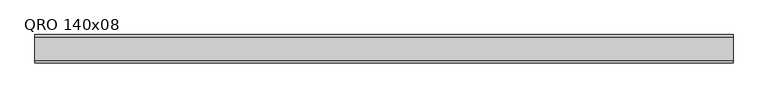
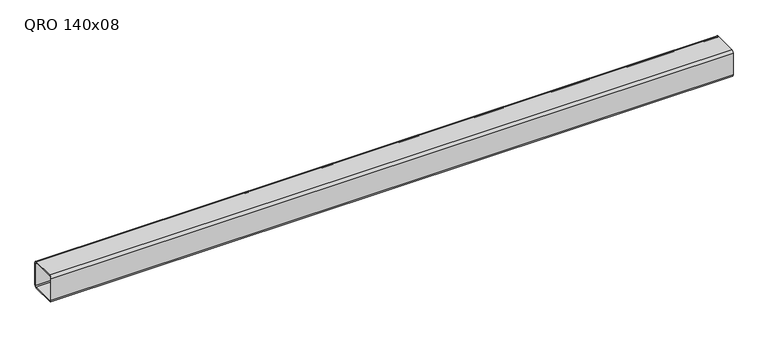
"""IFC4 building model written with IfcOpenShell, lengths in millimetres: beam geometry, QRO 140x08."""

from ifc_helpers import new_model, si_unit, point, frame, frame_2d, origin, place, context, project, spatial, polyline, circle_curve, trimmed, segment, composite_curve, outline, extrude, source, transform, mapped, element, save


def qro_140x08_a017730e(model_context):
    return source(origin(), model_context, "Body", "SweptSolid", [
        extrude(outline(composite_curve([segment(polyline([(70.0, 58.0), (70.0, -58.0)]), True, "CONTINUOUS"), segment(trimmed(circle_curve(frame_2d((58.0, -58.0)), 12.0), [point((70.0, -58.0))], [point((58.0, -70.0))], False, "CARTESIAN"), True, "CONTINUOUS"), segment(polyline([(58.0, -70.0), (-58.0, -70.0)]), True, "CONTINUOUS"), segment(trimmed(circle_curve(frame_2d((-58.0, -58.0)), 12.0), [point((-58.0, -70.0))], [point((-70.0, -58.0))], False, "CARTESIAN"), True, "CONTINUOUS"), segment(polyline([(-70.0, -58.0), (-70.0, 58.0)]), True, "CONTINUOUS"), segment(trimmed(circle_curve(frame_2d((-58.0, 58.0)), 12.0), [point((-70.0, 58.0))], [point((-58.0, 70.0))], False, "CARTESIAN"), True, "CONTINUOUS"), segment(polyline([(-58.0, 70.0), (58.0, 70.0)]), True, "CONTINUOUS"), segment(trimmed(circle_curve(frame_2d((58.0, 58.0)), 12.0), [point((58.0, 70.0))], [point((70.0, 58.0))], False, "CARTESIAN"), True, "CONTINUOUS")], self_intersect=False), holes=[composite_curve([segment(trimmed(circle_curve(frame_2d((-58.0, 58.0)), 6.0), [point((-58.0, 64.0))], [point((-64.0, 58.0))], True, "CARTESIAN"), True, "CONTINUOUS"), segment(polyline([(-64.0, 58.0), (-64.0, -58.0)]), True, "CONTINUOUS"), segment(trimmed(circle_curve(frame_2d((-58.0, -58.0)), 6.0), [point((-64.0, -58.0))], [point((-58.0, -64.0))], True, "CARTESIAN"), True, "CONTINUOUS"), segment(polyline([(-58.0, -64.0), (58.0, -64.0)]), True, "CONTINUOUS"), segment(trimmed(circle_curve(frame_2d((58.0, -58.0)), 6.0), [point((58.0, -64.0))], [point((64.0, -58.0))], True, "CARTESIAN"), True, "CONTINUOUS"), segment(polyline([(64.0, -58.0), (64.0, 58.0)]), True, "CONTINUOUS"), segment(trimmed(circle_curve(frame_2d((58.0, 58.0)), 6.0), [point((64.0, 58.0))], [point((58.0, 64.0))], True, "CARTESIAN"), True, "CONTINUOUS"), segment(polyline([(58.0, 64.0), (-58.0, 64.0)]), True, "CONTINUOUS")], self_intersect=False)]), frame((-1715.7484104, 0.0, 0.0), z_axis=(1.0, 0.0, 0.0), x_axis=(0.0, 1.0, 0.0)), (0.0, 0.0, 1.0), 3427.011017),
    ])


if __name__ == "__main__":
    model = new_model("IFC4")
    model_context = context("Model", 3, world=origin())
    ifc_project = project(units=[si_unit("LENGTHUNIT", "METRE", prefix="MILLI")], contexts=[model_context])
    site = spatial("IfcSite", under=ifc_project)
    building = spatial("IfcBuilding", under=site)
    placement = place(None, origin())
    qro_140x08_shape = qro_140x08_a017730e(model_context)
    element("IfcBeam", 1, ObjectType="QRO 140x08", at=placement, inside=building, context=model_context, shape_type="MappedRepresentation", body=[
        mapped(qro_140x08_shape, transform((0.0, 0.0, 0.0), x_axis=(1.0, 0.0, 0.0), y_axis=(0.0, 1.0, 0.0), z_axis=(0.0, 0.0, 1.0))),
    ])
    save(model, "model.ifc")
